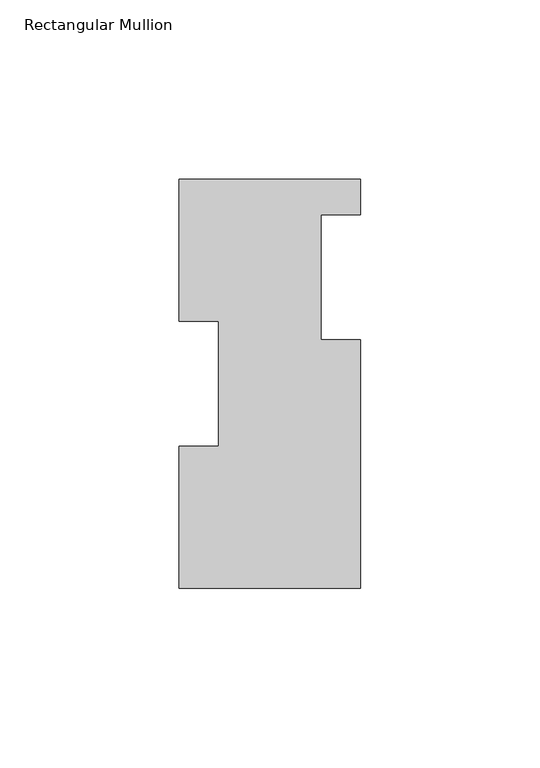
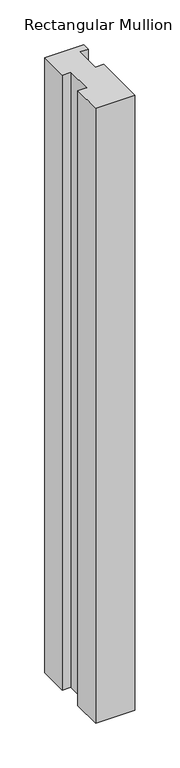
"""IFC4 building model written with IfcOpenShell, lengths in millimetres: member geometry, Rectangular Mullion."""

from ifc_helpers import new_model, si_unit, frame, origin, place, context, project, spatial, polyline, outline, extrude, source, transform, mapped, element, save


def rectangular_mullion_ec86a9f3(model_context):
    return source(origin(), model_context, "Body", "SweptSolid", [
        extrude(outline(polyline([(25.4, 114.0729875), (25.4, 104.1669875), (14.2875, 104.1669875), (14.2875, 69.2419875), (25.4, 69.2419875), (25.4, -0.2270125), (-25.4, -0.2270125), (-25.4, 39.4477875), (-14.2875, 39.4477875), (-14.2875, 74.3981875), (-25.4, 74.3981875), (-25.4, 114.0729875), (25.4, 114.0729875)])), frame((0.0, 0.0, -841.375), z_axis=(0.0, 0.0, 1.0), x_axis=(1.0, 0.0, 0.0)), (0.0, 0.0, 1.0), 841.375),
    ])


if __name__ == "__main__":
    model = new_model("IFC4")
    model_context = context("Model", 3, world=origin())
    ifc_project = project(units=[si_unit("LENGTHUNIT", "METRE", prefix="MILLI")], contexts=[model_context])
    site = spatial("IfcSite", under=ifc_project)
    building = spatial("IfcBuilding", under=site)
    placement = place(None, origin())
    rectangular_mullion_shape = rectangular_mullion_ec86a9f3(model_context)
    element("IfcMember", 1, ObjectType="Rectangular Mullion", at=placement, inside=building, context=model_context, shape_type="MappedRepresentation", body=[
        mapped(rectangular_mullion_shape, transform((0.0, 0.0, 0.0), x_axis=(1.0, 0.0, 0.0), y_axis=(0.0, 1.0, 0.0), z_axis=(0.0, 0.0, 1.0))),
    ])
    save(model, "model.ifc")
